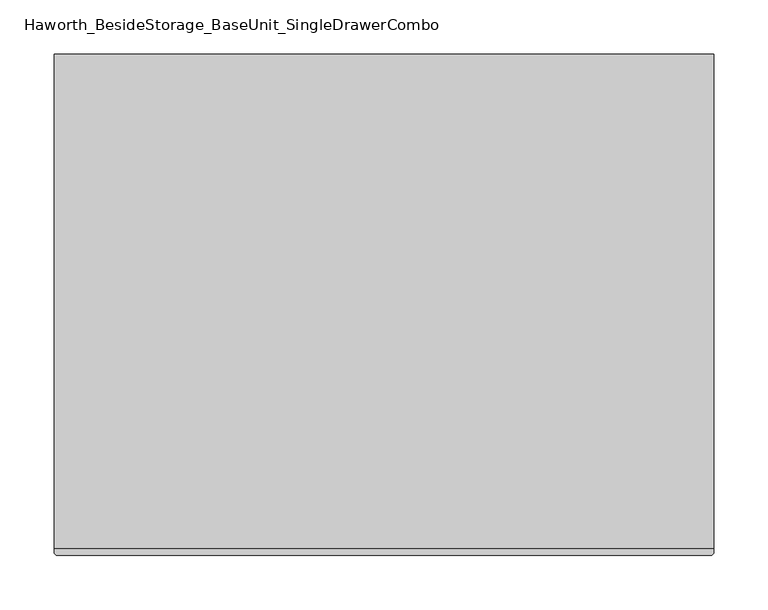
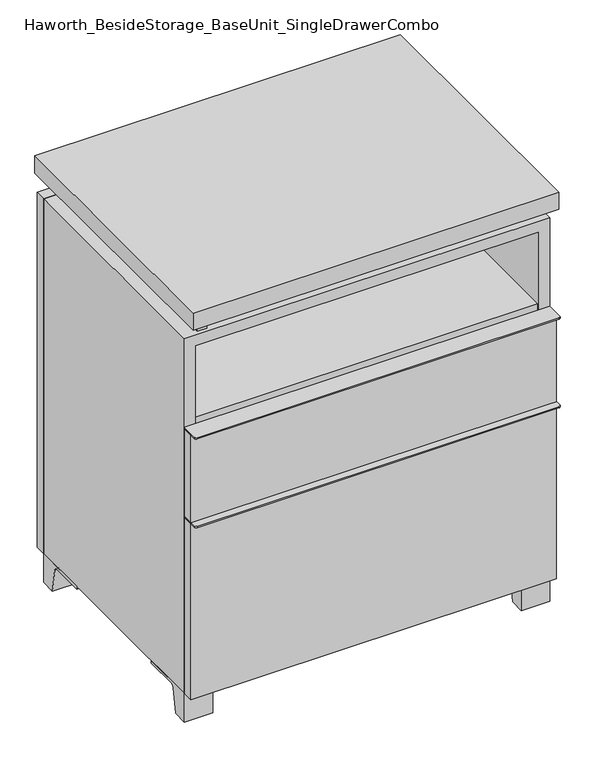
"""IFC4 building model written with IfcOpenShell, lengths in millimetres: furniture geometry, Haworth_BesideStorage_BaseUnit_SingleDrawerCombo."""

from ifc_helpers import new_model, si_unit, point, frame, frame_2d, origin, place, context, project, spatial, polyline, circle_curve, trimmed, segment, composite_curve, outline, extrude, source, transform, mapped, element, save


def haworth_besidestorage_baseunit_singledrawercombo_d7f72932(model_context):
    return source(origin(), model_context, "Body", "SweptSolid", [
        extrude(outline(polyline([(285.7638906, 222.25), (285.7638906, -136.525), (-285.7361094, -136.525), (-285.7361094, 222.25), (285.7638906, 222.25)])), frame((0.0, 0.0, 510.38125), z_axis=(0.0, 0.0, 1.0), x_axis=(1.0, 0.0, 0.0)), (0.0, 0.0, 1.0), 19.05),
        extrude(outline(composite_curve([segment(polyline([(304.8138906, -139.7), (304.8138906, -168.275)]), True, "CONTINUOUS"), segment(trimmed(circle_curve(frame_2d((301.6388906, -168.275)), 3.175), [point((304.8138906, -168.275))], [point((301.6388906, -171.45))], False, "CARTESIAN"), True, "CONTINUOUS"), segment(polyline([(301.6388906, -171.45), (-301.6111094, -171.45)]), True, "CONTINUOUS"), segment(trimmed(circle_curve(frame_2d((-301.6111094, -168.275)), 3.175), [point((-301.6111094, -171.45))], [point((-304.7861094, -168.275))], False, "CARTESIAN"), True, "CONTINUOUS"), segment(polyline([(-304.7861094, -168.275), (-304.7861094, -139.7), (304.8138906, -139.7)]), True, "CONTINUOUS")], self_intersect=False)), frame((0.0, 0.0, 517.525), z_axis=(0.0, 0.0, 1.0), x_axis=(1.0, 0.0, 0.0)), (0.0, 0.0, 1.0), 2.38125),
        extrude(outline(polyline([(304.8138906, -139.7), (304.8138906, -158.75), (-304.7861094, -158.75), (-304.7861094, -139.7), (304.8138906, -139.7)])), frame((0.0, 0.0, 363.5375), z_axis=(0.0, 0.0, 1.0), x_axis=(1.0, 0.0, 0.0)), (0.0, 0.0, 1.0), 153.9875),
        extrude(outline(composite_curve([segment(polyline([(304.8138906, -139.7), (304.8138906, -168.275)]), True, "CONTINUOUS"), segment(trimmed(circle_curve(frame_2d((301.6388906, -168.275)), 3.175), [point((304.8138906, -168.275))], [point((301.6388906, -171.45))], False, "CARTESIAN"), True, "CONTINUOUS"), segment(polyline([(301.6388906, -171.45), (-301.6111094, -171.45)]), True, "CONTINUOUS"), segment(trimmed(circle_curve(frame_2d((-301.6111094, -168.275)), 3.175), [point((-301.6111094, -171.45))], [point((-304.7861094, -168.275))], False, "CARTESIAN"), True, "CONTINUOUS"), segment(polyline([(-304.7861094, -168.275), (-304.7861094, -139.7), (304.8138906, -139.7)]), True, "CONTINUOUS")], self_intersect=False)), frame((0.0, 0.0, 361.15625), z_axis=(0.0, 0.0, 1.0), x_axis=(1.0, 0.0, 0.0)), (0.0, 0.0, 1.0), 2.38125),
        extrude(outline(polyline([(304.8138906, -139.7), (304.8138906, -158.75), (-304.7861094, -158.75), (-304.7861094, -139.7), (304.8138906, -139.7)])), frame((0.0, 0.0, 50.8), z_axis=(0.0, 0.0, 1.0), x_axis=(1.0, 0.0, 0.0)), (0.0, 0.0, 1.0), 310.35625),
        extrude(outline(polyline([(304.8138906, 292.1), (304.8138906, -165.1), (-304.7861094, -165.1), (-304.7861094, 292.1), (304.8138906, 292.1)])), frame((0.0, 0.0, 706.4375), z_axis=(0.0, 0.0, 1.0), x_axis=(1.0, 0.0, 0.0)), (0.0, 0.0, 1.0), 30.1625),
        extrude(outline(composite_curve([segment(polyline([(-114.3000136, 0.0), (-139.7, 0.0), (-139.7, 50.8), (-44.45, 50.8), (-44.45, 46.0213321), (-101.2505345, 46.0213321)]), True, "CONTINUOUS"), segment(trimmed(circle_curve(frame_2d((-101.2505345, 39.6713321)), 6.35), [point((-101.2505345, 46.0213321))], [point((-107.5141359, 40.7152656))], True, "CARTESIAN"), True, "CONTINUOUS"), segment(polyline([(-107.5141359, 40.7152656), (-114.3000136, 0.0)]), True, "CONTINUOUS")], self_intersect=False)), frame((257.1888906, 0.0, 0.0), z_axis=(1.0, 0.0, 0.0), x_axis=(0.0, 1.0, 0.0)), (0.0, 0.0, 1.0), 47.625),
        extrude(outline(composite_curve([segment(polyline([(241.3000136, 0.0), (234.5141359, 40.7152656)]), True, "CONTINUOUS"), segment(trimmed(circle_curve(frame_2d((228.2505345, 39.6713321)), 6.35), [point((234.5141359, 40.7152656))], [point((228.2505345, 46.0213321))], True, "CARTESIAN"), True, "CONTINUOUS"), segment(polyline([(228.2505345, 46.0213321), (171.45, 46.0213321), (171.45, 50.8), (266.7, 50.8), (266.7, 0.0), (241.3000136, 0.0)]), True, "CONTINUOUS")], self_intersect=False)), frame((257.1888906, 0.0, 0.0), z_axis=(1.0, 0.0, 0.0), x_axis=(0.0, 1.0, 0.0)), (0.0, 0.0, 1.0), 47.625),
        extrude(outline(composite_curve([segment(polyline([(-114.3000136, 0.0), (-139.7, 0.0), (-139.7, 50.8), (-44.45, 50.8), (-44.45, 46.0213321), (-101.2505345, 46.0213321)]), True, "CONTINUOUS"), segment(trimmed(circle_curve(frame_2d((-101.2505345, 39.6713321)), 6.35), [point((-101.2505345, 46.0213321))], [point((-107.5141359, 40.7152656))], True, "CARTESIAN"), True, "CONTINUOUS"), segment(polyline([(-107.5141359, 40.7152656), (-114.3000136, 0.0)]), True, "CONTINUOUS")], self_intersect=False)), frame((-304.7861094, 0.0, 0.0), z_axis=(1.0, 0.0, 0.0), x_axis=(0.0, 1.0, 0.0)), (0.0, 0.0, 1.0), 47.625),
        extrude(outline(composite_curve([segment(polyline([(241.3000136, 0.0), (234.5141359, 40.7152656)]), True, "CONTINUOUS"), segment(trimmed(circle_curve(frame_2d((228.2505345, 39.6713321)), 6.35), [point((234.5141359, 40.7152656))], [point((228.2505345, 46.0213321))], True, "CARTESIAN"), True, "CONTINUOUS"), segment(polyline([(228.2505345, 46.0213321), (171.45, 46.0213321), (171.45, 50.8), (266.7, 50.8), (266.7, 0.0), (241.3000136, 0.0)]), True, "CONTINUOUS")], self_intersect=False)), frame((-304.7861094, 0.0, 0.0), z_axis=(1.0, 0.0, 0.0), x_axis=(0.0, 1.0, 0.0)), (0.0, 0.0, 1.0), 47.625),
        extrude(outline(polyline([(-279.3791641, -133.35), (-279.3791641, 234.95), (-263.5041641, 234.95), (-263.5041641, 73.025), (263.5111094, 73.025), (263.5111094, 247.65), (279.3861094, 247.65), (279.3861094, -120.65), (263.5111094, -120.65), (263.5111094, 53.975), (-263.5041641, 53.975), (-263.5041641, -133.35), (-279.3791641, -133.35)])), frame((0.0, 0.0, 676.275), z_axis=(0.0, 0.0, 1.0), x_axis=(1.0, 0.0, 0.0)), (0.0, 0.0, 1.0), 30.1625),
        extrude(outline(polyline([(304.8138906, 266.7), (-304.7861094, 266.7), (-304.7861094, 285.75), (304.8138906, 285.75), (304.8138906, 266.7)])), frame((0.0, 0.0, 50.8), z_axis=(0.0, 0.0, 1.0), x_axis=(1.0, 0.0, 0.0)), (0.0, 0.0, 1.0), 625.475),
        extrude(outline(polyline([(50.8, -304.7861094), (50.8, 304.8), (676.275, 304.8), (676.275, -304.7861094), (50.8, -304.7861094)]), holes=[polyline([(69.85, -285.7361094), (657.225, -285.7361094), (657.225, 285.7361094), (69.85, 285.7361094), (69.85, -285.7361094)])]), frame((0.0, -139.7, 0.0), z_axis=(0.0, 1.0, 0.0), x_axis=(0.0, 0.0, 1.0)), (0.0, 0.0, 1.0), 406.4),
        extrude(outline(polyline([(-285.7291641, 234.95), (-285.7291641, 241.3), (285.7569453, 241.3), (285.7569453, 234.95), (-285.7291641, 234.95)])), frame((0.0, 0.0, 69.85), z_axis=(0.0, 0.0, 1.0), x_axis=(1.0, 0.0, 0.0)), (0.0, 0.0, 1.0), 587.375),
    ])


if __name__ == "__main__":
    model = new_model("IFC4")
    model_context = context("Model", 3, world=origin())
    ifc_project = project(units=[si_unit("LENGTHUNIT", "METRE", prefix="MILLI")], contexts=[model_context])
    site = spatial("IfcSite", under=ifc_project)
    building = spatial("IfcBuilding", under=site)
    placement = place(None, origin())
    haworth_besidestorage_baseunit_singledrawercombo_shape = haworth_besidestorage_baseunit_singledrawercombo_d7f72932(model_context)
    element("IfcFurniture", 1, ObjectType="Haworth_BesideStorage_BaseUnit_SingleDrawerCombo", at=placement, inside=building, context=model_context, shape_type="MappedRepresentation", body=[
        mapped(haworth_besidestorage_baseunit_singledrawercombo_shape, transform((0.0, 0.0, 0.0), x_axis=(1.0, 0.0, 0.0), y_axis=(0.0, 1.0, 0.0), z_axis=(0.0, 0.0, 1.0))),
    ])
    save(model, "model.ifc")
